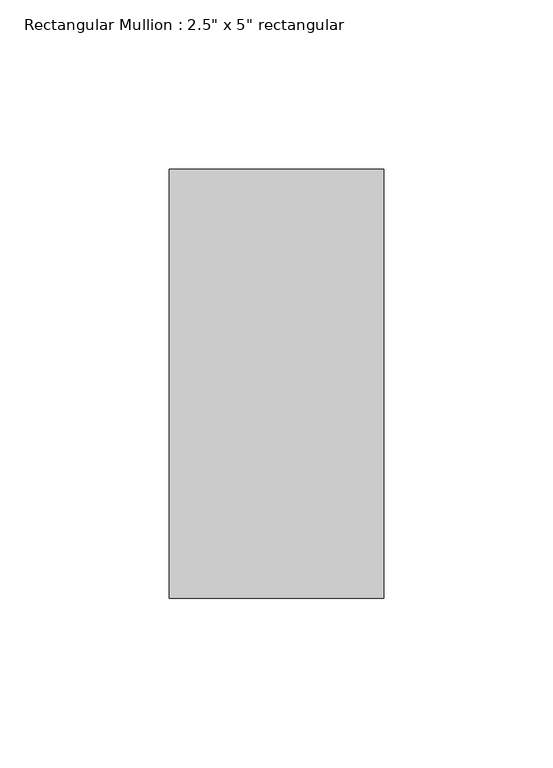
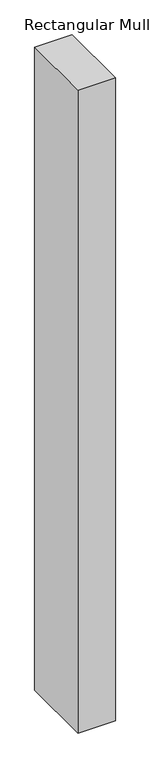
"""IFC4 building model written with IfcOpenShell, lengths in millimetres: member geometry."""

from ifc_helpers import new_model, si_unit, frame, origin, place, context, project, spatial, polyline, outline, extrude, source, transform, mapped, element, save


def member_618bfd9f(model_context):
    return source(origin(), model_context, "Body", "SweptSolid", [
        extrude(outline(polyline([(31.75, 63.5), (31.75, -63.5), (-31.75, -63.5), (-31.75, 63.5), (31.75, 63.5)])), frame((0.0, 0.0, -1153.2793938), z_axis=(0.0, 0.0, 1.0), x_axis=(1.0, 0.0, 0.0)), (0.0, 0.0, 1.0), 1153.2793938),
    ])


if __name__ == "__main__":
    model = new_model("IFC4")
    model_context = context("Model", 3, world=origin())
    ifc_project = project(units=[si_unit("LENGTHUNIT", "METRE", prefix="MILLI")], contexts=[model_context])
    site = spatial("IfcSite", under=ifc_project)
    building = spatial("IfcBuilding", under=site)
    placement = place(None, origin())
    member_shape = member_618bfd9f(model_context)
    element("IfcMember", 1, ObjectType="Rectangular Mullion : 2.5\" x 5\" rectangular", at=placement, inside=building, context=model_context, shape_type="MappedRepresentation", body=[
        mapped(member_shape, transform((0.0, 0.0, 0.0), x_axis=(1.0, 0.0, 0.0), y_axis=(0.0, 1.0, 0.0), z_axis=(0.0, 0.0, 1.0))),
    ])
    save(model, "model.ifc")
